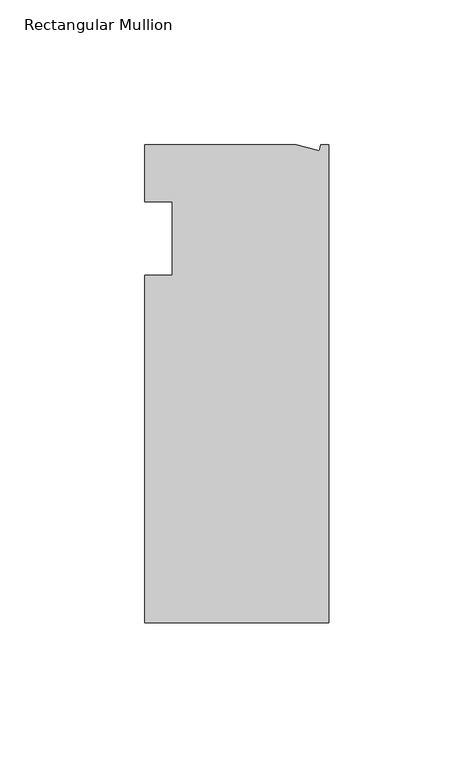
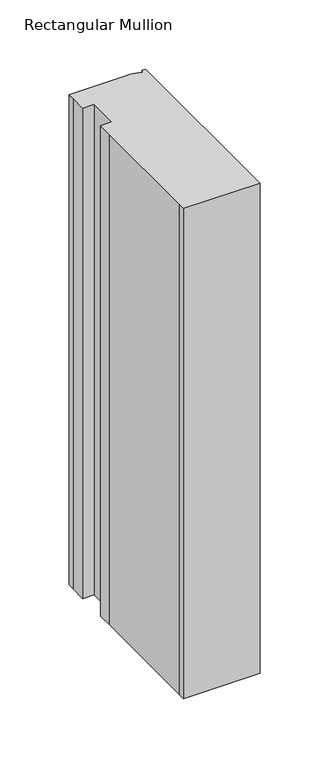
"""IFC4 building model written with IfcOpenShell, lengths in millimetres: member geometry, Rectangular Mullion."""

from ifc_helpers import new_model, si_unit, frame, origin, place, context, project, spatial, polyline, outline, extrude, source, transform, mapped, element, save


def rectangular_mullion_cc994a49(model_context):
    return source(origin(), model_context, "Body", "SweptSolid", [
        extrude(outline(polyline([(-11.1265412, 19.6597595), (-3.3457217, 17.5748952), (-2.787084, 19.6597595), (0.0, 19.6597595), (0.0, -145.4402405), (-63.5, -145.4402405), (-63.5, -139.0912246), (-63.5, -38.3358837), (-63.5, -25.4), (-53.975, -25.4), (-53.975, 0.0), (-63.5, 0.0), (-63.5, 13.6093403), (-63.5, 19.6597595), (-11.1265412, 19.6597595)])), frame((0.0, 0.0, -431.8), z_axis=(0.0, 0.0, 1.0), x_axis=(1.0, 0.0, 0.0)), (0.0, 0.0, 1.0), 431.8),
    ])


if __name__ == "__main__":
    model = new_model("IFC4")
    model_context = context("Model", 3, world=origin())
    ifc_project = project(units=[si_unit("LENGTHUNIT", "METRE", prefix="MILLI")], contexts=[model_context])
    site = spatial("IfcSite", under=ifc_project)
    building = spatial("IfcBuilding", under=site)
    placement = place(None, origin())
    rectangular_mullion_shape = rectangular_mullion_cc994a49(model_context)
    element("IfcMember", 1, ObjectType="Rectangular Mullion", at=placement, inside=building, context=model_context, shape_type="MappedRepresentation", body=[
        mapped(rectangular_mullion_shape, transform((0.0, 0.0, 0.0), x_axis=(1.0, 0.0, 0.0), y_axis=(0.0, 1.0, 0.0), z_axis=(0.0, 0.0, 1.0))),
    ])
    save(model, "model.ifc")
